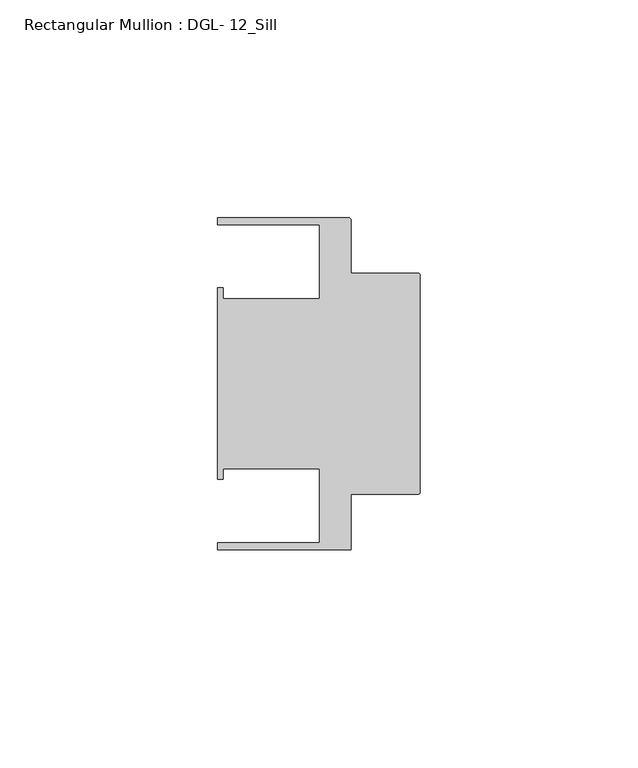
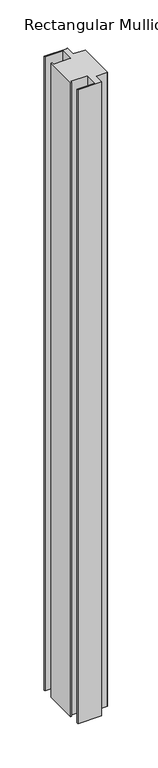
"""IFC4 building model written with IfcOpenShell, lengths in millimetres: member geometry, Rectangular Mullion : DGL- 12_Sill."""

from ifc_helpers import new_model, si_unit, point, frame, frame_2d, origin, place, context, project, spatial, polyline, circle_curve, trimmed, segment, composite_curve, outline, extrude, source, transform, mapped, element, save


def rectangular_mullion_dgl_12_sill_575e8940(model_context):
    return source(origin(), model_context, "Body", "SweptSolid", [
        extrude(outline(composite_curve([segment(polyline([(-0.5953125, -25.4), (-15.8750672, -25.4), (-15.8750672, -38.0996792), (-46.54296, -38.0996792), (-46.54296, -36.512516), (-23.1202791, -36.512516), (-23.1202791, -19.4824275), (-45.2865266, -19.4824275), (-45.2865266, -21.9710976), (-46.54296, -21.9710976), (-46.54296, 21.9710976), (-45.2865266, 21.9710976), (-45.2865266, 19.4824275), (-23.1202791, 19.4824275), (-23.1202791, 36.512516), (-46.54296, 36.512516), (-46.54296, 38.100016), (-16.4703797, 38.100016)]), True, "CONTINUOUS"), segment(trimmed(circle_curve(frame_2d((-16.4703797, 37.5047035)), 0.5953125), [point((-16.4703797, 38.100016))], [point((-15.8750672, 37.5047035))], False, "CARTESIAN"), True, "CONTINUOUS"), segment(polyline([(-15.8750672, 37.5047035), (-15.8750672, 25.4), (-0.5953125, 25.4)]), True, "CONTINUOUS"), segment(trimmed(circle_curve(frame_2d((-0.5953125, 24.8046875)), 0.5953125), [point((-0.5953125, 25.4))], [point((0.0, 24.8046875))], False, "CARTESIAN"), True, "CONTINUOUS"), segment(polyline([(0.0, 24.8046875), (0.0, -24.8046875)]), True, "CONTINUOUS"), segment(trimmed(circle_curve(frame_2d((-0.5953125, -24.8046875)), 0.5953125), [point((0.0, -24.8046875))], [point((-0.5953125, -25.4))], False, "CARTESIAN"), True, "CONTINUOUS")], self_intersect=False)), frame((0.0, 0.0, -873.1259345), z_axis=(0.0, 0.0, 1.0), x_axis=(1.0, 0.0, 0.0)), (0.0, 0.0, 1.0), 873.1259345),
    ])


if __name__ == "__main__":
    model = new_model("IFC4")
    model_context = context("Model", 3, world=origin())
    ifc_project = project(units=[si_unit("LENGTHUNIT", "METRE", prefix="MILLI")], contexts=[model_context])
    site = spatial("IfcSite", under=ifc_project)
    building = spatial("IfcBuilding", under=site)
    placement = place(None, origin())
    rectangular_mullion_dgl_12_sill_shape = rectangular_mullion_dgl_12_sill_575e8940(model_context)
    element("IfcMember", 1, ObjectType="Rectangular Mullion : DGL- 12_Sill", at=placement, inside=building, context=model_context, shape_type="MappedRepresentation", body=[
        mapped(rectangular_mullion_dgl_12_sill_shape, transform((0.0, 0.0, 0.0), x_axis=(1.0, 0.0, 0.0), y_axis=(0.0, 1.0, 0.0), z_axis=(0.0, 0.0, 1.0))),
    ])
    save(model, "model.ifc")
